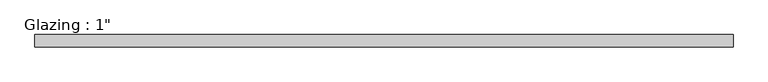
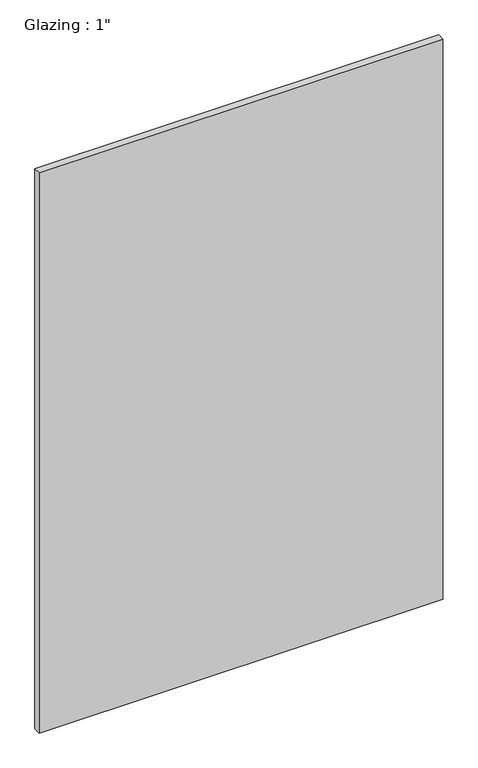
"""IFC4 building model written with IfcOpenShell, lengths in millimetres: plate geometry."""

import ifcopenshell
import ifcopenshell.guid

model = None  # the IFC model being written
_history = None  # IfcOwnerHistory: only IFC2X3 demands one
_inside = {}  # id of a spatial element -> (the spatial element, [elements in it])
_under = {}  # id of a project, library or spatial element -> (it, [spatial elements below it])
_declared = {}  # id of a project -> (the project, [libraries it declares])
_typed = {}  # id of a type object -> (the type object, [elements of that type])
_made_of = {}  # id of a material, layer set ... -> (it, [elements and type objects made of it])


def new_model(schema):
    """Start an empty IFC model of exactly this schema.

    Asked for "IFC4X3", IfcOpenShell would pick the latest addendum, in which some entities
    have other attributes; the version numbers below select the first issue.
    IFC2X3 requires an IfcOwnerHistory on every rooted entity: one is made here for all.
    """
    global model, _history
    if schema == "IFC4X3":
        model = ifcopenshell.file(schema_version=(4, 3, 0, 0))
    else:
        model = ifcopenshell.file(schema=schema)
    _inside.clear()
    _under.clear()
    _declared.clear()
    _typed.clear()
    _made_of.clear()
    _history = None
    if model.schema == "IFC2X3":
        org = make("IfcOrganization", Name="unknown")
        user = make(
            "IfcPersonAndOrganization",
            ThePerson=make("IfcPerson", FamilyName="unknown"),
            TheOrganization=org,
        )
        app = make(
            "IfcApplication",
            ApplicationDeveloper=org,
            Version="unknown",
            ApplicationFullName="unknown",
            ApplicationIdentifier="unknown",
        )
        _history = make(
            "IfcOwnerHistory",
            OwningUser=user,
            OwningApplication=app,
            ChangeAction="ADDED",
            CreationDate=0,
        )
    return model


def make(cls, **values):
    """One entity of the class cls with the attributes given. An attribute that is None is left unset."""
    return model.create_entity(
        cls, **{name: value for name, value in values.items() if value is not None}
    )


def rooted(cls, **values):
    """An entity with a GlobalId (a new one), such as an element, a storey or a relation."""
    return make(cls, GlobalId=ifcopenshell.guid.new(), OwnerHistory=_history, **values)


def si_unit(unit_type, name, prefix=None):
    """IfcSIUnit, for example si_unit("LENGTHUNIT", "METRE", prefix="MILLI")."""
    return make("IfcSIUnit", UnitType=unit_type, Prefix=prefix, Name=name)


def assignment(units):
    """IfcUnitAssignment: the units of a project."""
    return None if units is None else make("IfcUnitAssignment", Units=units)


def point(xyz):
    """IfcCartesianPoint."""
    return None if xyz is None else make("IfcCartesianPoint", Coordinates=xyz)


def direction(xyz):
    """IfcDirection."""
    return None if xyz is None else make("IfcDirection", DirectionRatios=xyz)


def frame(location, z_axis=None, x_axis=None):
    """IfcAxis2Placement3D, a coordinate frame: its origin and axes. An axis left out is left unset."""
    return make(
        "IfcAxis2Placement3D",
        Location=point(location),
        Axis=direction(z_axis),
        RefDirection=direction(x_axis),
    )


def origin():
    """The frame at (0, 0, 0) with its axes left unset."""
    return frame((0.0, 0.0, 0.0))


def origin_with_axes():
    """The frame at (0, 0, 0) with the z axis (0, 0, 1) and the x axis (1, 0, 0) written out."""
    return frame((0.0, 0.0, 0.0), z_axis=(0.0, 0.0, 1.0), x_axis=(1.0, 0.0, 0.0))


def place(relative_to, where):
    """IfcLocalPlacement: puts the frame where relative to a parent placement (None: the world)."""
    return make(
        "IfcLocalPlacement", PlacementRelTo=relative_to, RelativePlacement=where
    )


def context(
    kind, dimensions, precision=None, world=None, true_north=None, identifier=None
):
    """IfcGeometricRepresentationContext, for example the 3D "Model" context."""
    return make(
        "IfcGeometricRepresentationContext",
        ContextIdentifier=identifier,
        ContextType=kind,
        CoordinateSpaceDimension=dimensions,
        Precision=precision,
        WorldCoordinateSystem=world,
        TrueNorth=true_north,
    )


def project(units=None, contexts=None):
    """IfcProject with its units and contexts."""
    return rooted(
        "IfcProject",
        Name="project",
        RepresentationContexts=contexts,
        UnitsInContext=assignment(units),
    )


def spatial(cls, under=None, at=None, **own):
    """A site, building, storey or space (cls), placed at a placement, below another one or the project."""
    s = rooted(cls, ObjectPlacement=at, **own)
    if under is not None:
        _under.setdefault(under.id(), (under, []))[1].append(s)
    return s


def polyline(points):
    """IfcPolyline through the points."""
    return make("IfcPolyline", Points=[point(p) for p in points])


def outline(outer, holes=None, kind="AREA"):
    """IfcArbitraryClosedProfileDef: a profile drawn as a closed curve; with holes, ...WithVoids."""
    if holes is None:
        return make("IfcArbitraryClosedProfileDef", ProfileType=kind, OuterCurve=outer)
    return make(
        "IfcArbitraryProfileDefWithVoids",
        ProfileType=kind,
        OuterCurve=outer,
        InnerCurves=holes,
    )


def extrude(swept, where, along, depth):
    """IfcExtrudedAreaSolid: the profile swept, set in the frame where, extruded along a direction by depth."""
    return make(
        "IfcExtrudedAreaSolid",
        SweptArea=swept,
        Position=where,
        ExtrudedDirection=direction(along),
        Depth=depth,
    )


def shape(context_of_items, identifier, shape_type, items):
    """IfcShapeRepresentation: the items that make up one representation, for example the "Body"."""
    return make(
        "IfcShapeRepresentation",
        ContextOfItems=context_of_items,
        RepresentationIdentifier=identifier,
        RepresentationType=shape_type,
        Items=items,
    )


def source(mapping_origin, context_of_items, identifier, shape_type, items):
    """IfcRepresentationMap: a shape defined once, which mapped items show again and again."""
    return make(
        "IfcRepresentationMap",
        MappingOrigin=mapping_origin,
        MappedRepresentation=shape(context_of_items, identifier, shape_type, items),
    )


def transform(
    local_origin,
    x_axis=None,
    y_axis=None,
    z_axis=None,
    scale=None,
    scale2=None,
    scale3=None,
    uniform=True,
):
    """IfcCartesianTransformationOperator3D, or its non-uniform kind. x_axis, y_axis, z_axis: its Axis1, 2, 3."""
    if uniform:
        return make(
            "IfcCartesianTransformationOperator3D",
            Axis1=direction(x_axis),
            Axis2=direction(y_axis),
            LocalOrigin=point(local_origin),
            Scale=scale,
            Axis3=direction(z_axis),
        )
    return make(
        "IfcCartesianTransformationOperator3DnonUniform",
        Axis1=direction(x_axis),
        Axis2=direction(y_axis),
        LocalOrigin=point(local_origin),
        Scale=scale,
        Axis3=direction(z_axis),
        Scale2=scale2,
        Scale3=scale3,
    )


def mapped(mapping_source, mapping_target):
    """IfcMappedItem: shows the shape of a source again, moved by a transform."""
    return make(
        "IfcMappedItem", MappingSource=mapping_source, MappingTarget=mapping_target
    )


def made_of(thing, what):
    """Note that an element or type object is made of a material, layer set ...; save() writes the relation."""
    if what is not None:
        _made_of.setdefault(what.id(), (what, []))[1].append(thing)
    return thing


def element(
    cls,
    number,
    at=None,
    inside=None,
    cuts=None,
    type_object=None,
    material=None,
    context=None,
    identifier="Body",
    shape_type=None,
    held_by="IfcProductDefinitionShape",
    body=None,
    shapes=None,
    **own,
):
    """One element of the class cls, such as IfcWall. Its Tag is "e" and its number.

    at: its placement. inside: the storey or other place that contains it. cuts: it is an
    opening in that element (IfcRelVoidsElement). A single representation is given by context,
    identifier, shape_type and body (its items); several are given by shapes. held_by: the class
    of the entity that holds the representations. save() writes the other relations.
    """
    e = rooted(cls, Tag="e%d" % number, ObjectPlacement=at, **own)
    if body is not None:
        shapes = [shape(context, identifier, shape_type, body)]
    if shapes is not None:
        e.Representation = make(held_by, Representations=shapes)
    if inside is not None:
        _inside.setdefault(inside.id(), (inside, []))[1].append(e)
    if cuts is not None:
        rooted(
            "IfcRelVoidsElement", RelatingBuildingElement=cuts, RelatedOpeningElement=e
        )
    if type_object is not None:
        _typed.setdefault(type_object.id(), (type_object, []))[1].append(e)
    return made_of(e, material)


def aggregate(whole, parts):
    """IfcRelAggregates: a whole, such as a stair, and the parts it consists of."""
    return rooted("IfcRelAggregates", RelatingObject=whole, RelatedObjects=parts)


def save(model, path):
    """Write the relations noted so far, then the file.

    IfcRelAggregates (storeys below a building ...), IfcRelContainedInSpatialStructure (elements
    in a storey), IfcRelDefinesByType, IfcRelAssociatesMaterial and IfcRelDeclares: one each for
    every whole, place, type object, material and project.
    """
    for whole, parts in _under.values():
        aggregate(whole, parts)
    for where, things in _inside.values():
        rooted(
            "IfcRelContainedInSpatialStructure",
            RelatedElements=things,
            RelatingStructure=where,
        )
    for kind, things in _typed.values():
        rooted("IfcRelDefinesByType", RelatedObjects=things, RelatingType=kind)
    for what, things in _made_of.values():
        rooted("IfcRelAssociatesMaterial", RelatedObjects=things, RelatingMaterial=what)
    for by, libraries in _declared.values():
        rooted("IfcRelDeclares", RelatingContext=by, RelatedDefinitions=libraries)
    model.write(path)


def plate_6c14659f(model_context):
    return source(origin(), model_context, "Body", "SweptSolid", [
        extrude(outline(polyline([(713.834995, 12.7), (713.834995, -12.7), (-713.834995, -12.7), (-713.834995, 12.7), (713.834995, 12.7)])), origin_with_axes(), (0.0, 0.0, 1.0), 2094.5428768),
    ])


if __name__ == "__main__":
    model = new_model("IFC4")
    model_context = context("Model", 3, world=origin())
    ifc_project = project(units=[si_unit("LENGTHUNIT", "METRE", prefix="MILLI")], contexts=[model_context])
    site = spatial("IfcSite", under=ifc_project)
    building = spatial("IfcBuilding", under=site)
    placement = place(None, origin())
    plate_shape = plate_6c14659f(model_context)
    element("IfcPlate", 1, ObjectType="Glazing : 1\"", at=placement, inside=building, context=model_context, shape_type="MappedRepresentation", body=[
        mapped(plate_shape, transform((0.0, 0.0, 0.0), x_axis=(1.0, 0.0, 0.0), y_axis=(0.0, 1.0, 0.0), z_axis=(0.0, 0.0, 1.0))),
    ])
    save(model, "model.ifc")
